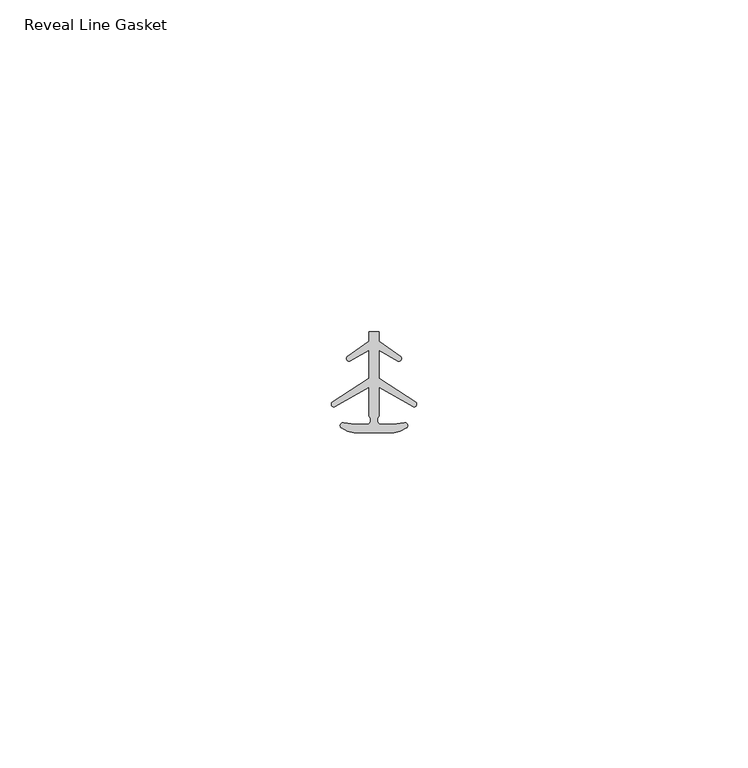
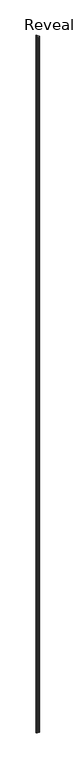
"""IFC4 building model written with IfcOpenShell, lengths in millimetres: furniture geometry, Reveal Line Gasket."""

from ifc_helpers import new_model, si_unit, point, frame_2d, origin, origin_with_axes, place, context, project, spatial, polyline, circle_curve, trimmed, segment, composite_curve, outline, extrude, source, transform, mapped, element, save


def reveal_line_gasket_d91b25dd(model_context):
    return source(origin(), model_context, "Body", "SweptSolid", [
        extrude(outline(composite_curve([segment(polyline([(2.999107, -7.6326998), (-3.000893, -7.6326998), (-3.9563857, -7.4091917), (-4.8893614, -6.8813059)]), True, "CONTINUOUS"), segment(trimmed(circle_curve(frame_2d((-4.6873723, -6.5243141)), 0.4101739), [point((-4.8893614, -6.8813059))], [point((-4.5950277, -6.1246704))], False, "CARTESIAN"), True, "CONTINUOUS"), segment(polyline([(-4.5950277, -6.1246704), (-2.8988015, -6.3626997), (-0.8663457, -6.3626997)]), True, "CONTINUOUS"), segment(trimmed(circle_curve(frame_2d((-1.2828188, -5.6959605)), 0.786124), [point((-0.8663457, -6.3626997))], [point((-0.778768, -5.0926996))], True, "CARTESIAN"), True, "CONTINUOUS"), segment(polyline([(-0.778768, -5.0926996), (-0.778768, -0.7492996), (-5.9404224, -3.7293824)]), True, "CONTINUOUS"), segment(trimmed(circle_curve(frame_2d((-6.0058691, -3.3132479)), 0.4212495), [point((-5.9404224, -3.7293824))], [point((-6.3335288, -3.0485022))], False, "CARTESIAN"), True, "CONTINUOUS"), segment(polyline([(-6.3335288, -3.0485022), (-0.778768, 0.5742594), (-0.778768, 4.8262978), (-3.6544226, 3.1660374)]), True, "CONTINUOUS"), segment(trimmed(circle_curve(frame_2d((-3.7127785, 3.5978728)), 0.4357605), [point((-3.6544226, 3.1660374))], [point((-4.0575811, 3.864328))], False, "CARTESIAN"), True, "CONTINUOUS"), segment(polyline([(-4.0575811, 3.864328), (-0.778768, 6.1944059), (-0.778768, 7.6326998), (0.7769821, 7.6326998), (0.7769821, 6.1944059), (4.0557951, 3.864328)]), True, "CONTINUOUS"), segment(trimmed(circle_curve(frame_2d((3.7109925, 3.5978728)), 0.4357605), [point((4.0557951, 3.864328))], [point((3.6526367, 3.1660374))], False, "CARTESIAN"), True, "CONTINUOUS"), segment(polyline([(3.6526367, 3.1660374), (0.7769821, 4.8262978), (0.7769821, 0.5742594), (6.3317429, -3.0485022)]), True, "CONTINUOUS"), segment(trimmed(circle_curve(frame_2d((6.0040832, -3.3132479)), 0.4212495), [point((6.3317429, -3.0485022))], [point((5.9386365, -3.7293824))], False, "CARTESIAN"), True, "CONTINUOUS"), segment(polyline([(5.9386365, -3.7293824), (0.7769821, -0.7492996), (0.7769821, -5.0926996)]), True, "CONTINUOUS"), segment(trimmed(circle_curve(frame_2d((1.2810328, -5.6959605)), 0.786124), [point((0.7769821, -5.0926996))], [point((0.8645598, -6.3626997))], True, "CARTESIAN"), True, "CONTINUOUS"), segment(polyline([(0.8645598, -6.3626997), (2.8970156, -6.3626997), (4.5932418, -6.1246704)]), True, "CONTINUOUS"), segment(trimmed(circle_curve(frame_2d((4.6855864, -6.5243141)), 0.4101739), [point((4.5932418, -6.1246704))], [point((4.8875754, -6.8813059))], False, "CARTESIAN"), True, "CONTINUOUS"), segment(polyline([(4.8875754, -6.8813059), (3.9545998, -7.4091917), (2.999107, -7.6326998)]), True, "CONTINUOUS")], self_intersect=False)), origin_with_axes(), (0.0, 0.0, 1.0), 3041.65),
    ])


if __name__ == "__main__":
    model = new_model("IFC4")
    model_context = context("Model", 3, world=origin())
    ifc_project = project(units=[si_unit("LENGTHUNIT", "METRE", prefix="MILLI")], contexts=[model_context])
    site = spatial("IfcSite", under=ifc_project)
    building = spatial("IfcBuilding", under=site)
    placement = place(None, origin())
    reveal_line_gasket_shape = reveal_line_gasket_d91b25dd(model_context)
    element("IfcFurniture", 1, ObjectType="Reveal Line Gasket", at=placement, inside=building, context=model_context, shape_type="MappedRepresentation", body=[
        mapped(reveal_line_gasket_shape, transform((0.0, 0.0, 0.0), x_axis=(1.0, 0.0, 0.0), y_axis=(0.0, 1.0, 0.0), z_axis=(0.0, 0.0, 1.0))),
    ])
    save(model, "model.ifc")
